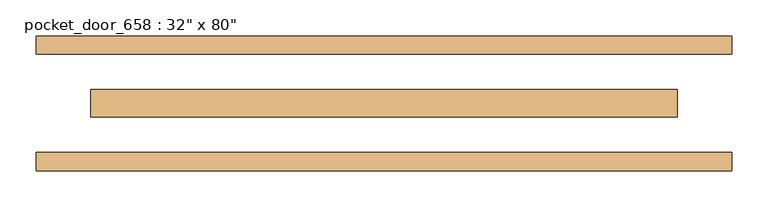
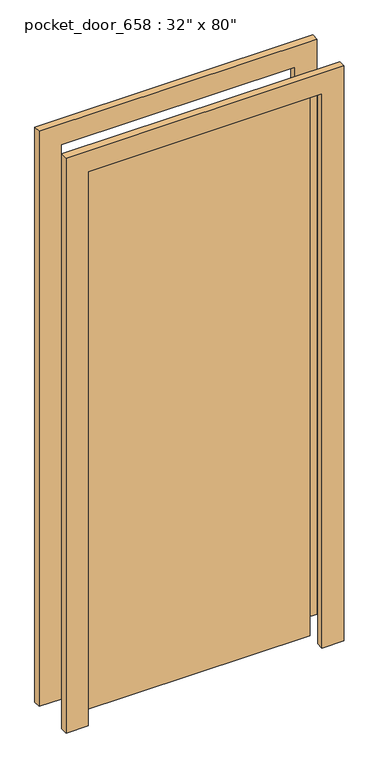
"""IFC4 building model written with IfcOpenShell, lengths in millimetres: door geometry."""

from ifc_helpers import new_model, si_unit, frame, origin, origin_with_axes, place, context, project, spatial, polyline, outline, extrude, source, transform, mapped, element, save


def door_163c0b50(model_context):
    return source(origin(), model_context, "Body", "SweptSolid", [
        extrude(outline(polyline([(-406.4, 19.05), (406.4, 19.05), (406.4, -19.05), (-406.4, -19.05), (-406.4, 19.05)])), origin_with_axes(), (0.0, 0.0, 1.0), 2032.0),
        extrude(outline(polyline([(2032.0, -406.4), (2032.0, 406.4), (0.0, 406.4), (0.0, 482.6), (2108.2, 482.6), (2108.2, -482.6), (0.0, -482.6), (0.0, -406.4), (2032.0, -406.4)])), frame((0.0, -93.6625, 0.0), z_axis=(0.0, 1.0, 0.0), x_axis=(0.0, 0.0, 1.0)), (0.0, 0.0, 1.0), 25.4),
        extrude(outline(polyline([(2032.0, -406.4), (2032.0, 406.4), (0.0, 406.4), (0.0, 482.6), (2108.2, 482.6), (2108.2, -482.6), (0.0, -482.6), (0.0, -406.4), (2032.0, -406.4)])), frame((0.0, 68.2625, 0.0), z_axis=(0.0, 1.0, 0.0), x_axis=(0.0, 0.0, 1.0)), (0.0, 0.0, 1.0), 25.4),
    ])


if __name__ == "__main__":
    model = new_model("IFC4")
    model_context = context("Model", 3, world=origin())
    ifc_project = project(units=[si_unit("LENGTHUNIT", "METRE", prefix="MILLI")], contexts=[model_context])
    site = spatial("IfcSite", under=ifc_project)
    building = spatial("IfcBuilding", under=site)
    placement = place(None, origin())
    door_shape = door_163c0b50(model_context)
    element("IfcDoor", 1, ObjectType="pocket_door_658 : 32\" x 80\"", at=placement, inside=building, context=model_context, shape_type="MappedRepresentation", body=[
        mapped(door_shape, transform((0.0, 0.0, 0.0), x_axis=(1.0, 0.0, 0.0), y_axis=(0.0, 1.0, 0.0), z_axis=(0.0, 0.0, 1.0))),
    ])
    save(model, "model.ifc")
